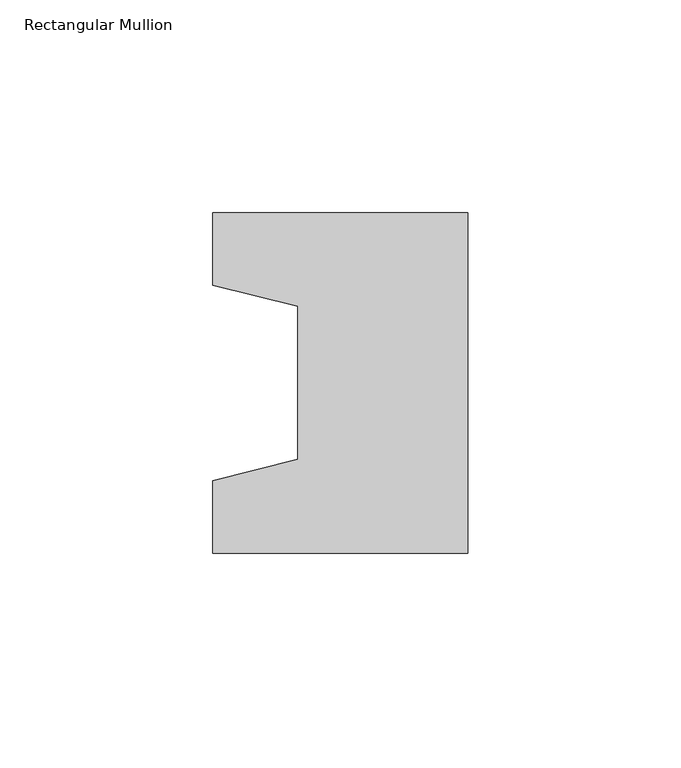
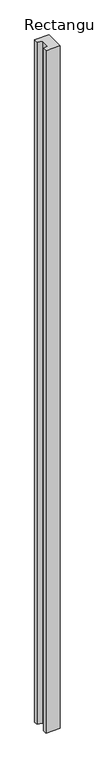
"""IFC4 building model written with IfcOpenShell, lengths in millimetres: column geometry, Rectangular Mullion."""

from ifc_helpers import new_model, si_unit, frame, origin, place, context, project, spatial, polyline, outline, extrude, source, transform, mapped, element, save


def rectangular_mullion_370fe823(model_context):
    return source(origin(), model_context, "Body", "SweptSolid", [
        extrude(outline(polyline([(-60.0, -40.0), (-60.0, -23.0), (-40.0, -18.0), (-40.0, 18.0), (-60.0, 23.0), (-60.0, 40.0), (0.0, 40.0), (0.0, -40.0), (-60.0, -40.0)])), frame((0.0, 0.0, -3000.0), z_axis=(0.0, 0.0, 1.0), x_axis=(1.0, 0.0, 0.0)), (0.0, 0.0, 1.0), 3000.0),
    ])


if __name__ == "__main__":
    model = new_model("IFC4")
    model_context = context("Model", 3, world=origin())
    ifc_project = project(units=[si_unit("LENGTHUNIT", "METRE", prefix="MILLI")], contexts=[model_context])
    site = spatial("IfcSite", under=ifc_project)
    building = spatial("IfcBuilding", under=site)
    placement = place(None, origin())
    rectangular_mullion_shape = rectangular_mullion_370fe823(model_context)
    element("IfcColumn", 1, ObjectType="Rectangular Mullion", at=placement, inside=building, context=model_context, shape_type="MappedRepresentation", body=[
        mapped(rectangular_mullion_shape, transform((0.0, 0.0, 0.0), x_axis=(1.0, 0.0, 0.0), y_axis=(0.0, 1.0, 0.0), z_axis=(0.0, 0.0, 1.0))),
    ])
    save(model, "model.ifc")
